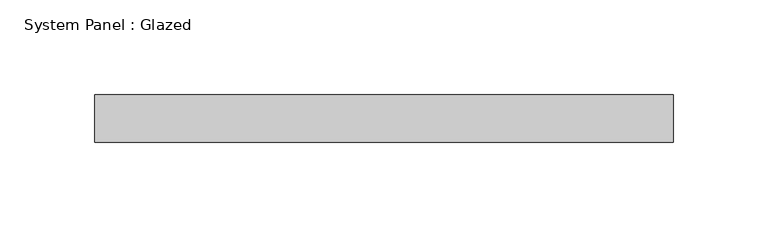
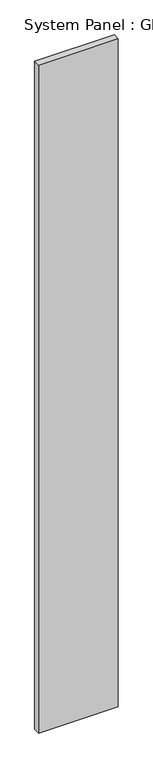
"""IFC4 building model written with IfcOpenShell, lengths in millimetres: plate geometry, System Panel : Glazed."""

from ifc_helpers import new_model, si_unit, origin, origin_with_axes, place, context, project, spatial, polyline, outline, extrude, source, transform, mapped, element, save


def system_panel_glazed_fc8d3538(model_context):
    return source(origin(), model_context, "Body", "SweptSolid", [
        extrude(outline(polyline([(152.5000095, 24.5), (-152.5000095, 24.5), (-152.5000095, 49.5), (152.5000095, 49.5), (152.5000095, 24.5)])), origin_with_axes(), (0.0, 0.0, 1.0), 2700.0),
    ])


if __name__ == "__main__":
    model = new_model("IFC4")
    model_context = context("Model", 3, world=origin())
    ifc_project = project(units=[si_unit("LENGTHUNIT", "METRE", prefix="MILLI")], contexts=[model_context])
    site = spatial("IfcSite", under=ifc_project)
    building = spatial("IfcBuilding", under=site)
    placement = place(None, origin())
    system_panel_glazed_shape = system_panel_glazed_fc8d3538(model_context)
    element("IfcPlate", 1, ObjectType="System Panel : Glazed", at=placement, inside=building, context=model_context, shape_type="MappedRepresentation", body=[
        mapped(system_panel_glazed_shape, transform((0.0, 0.0, 0.0), x_axis=(1.0, 0.0, 0.0), y_axis=(0.0, 1.0, 0.0), z_axis=(0.0, 0.0, 1.0))),
    ])
    save(model, "model.ifc")
